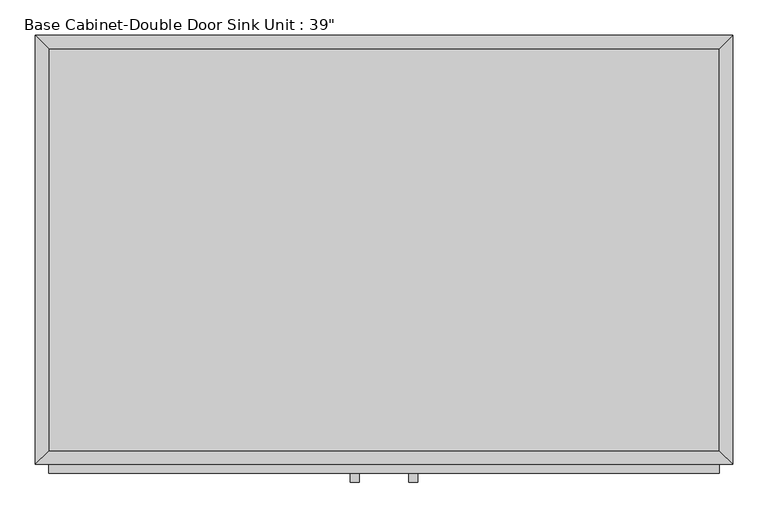
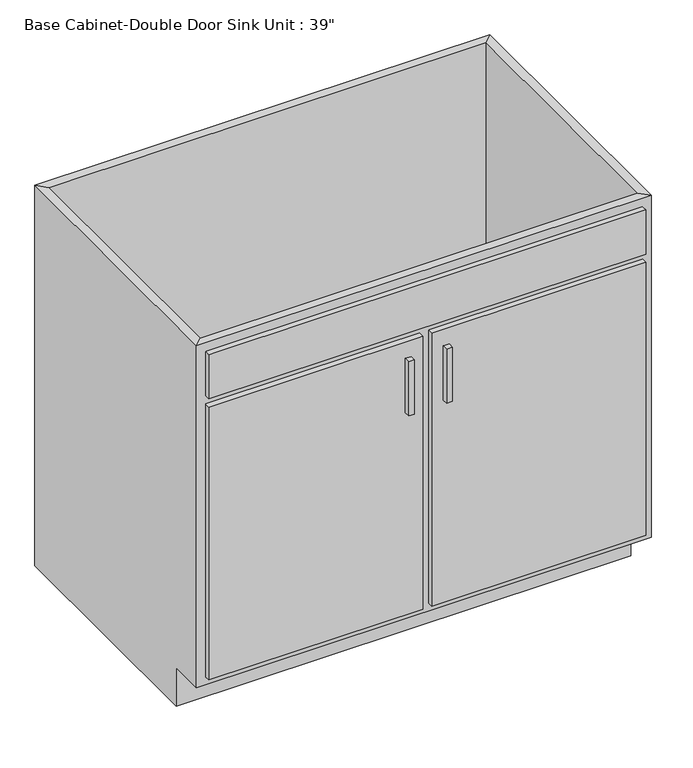
"""IFC4 building model written with IfcOpenShell, lengths in millimetres: furniture geometry."""

from ifc_helpers import new_model, si_unit, frame, origin, place, context, project, spatial, polyline, outline, extrude, faceted_brep, source, transform, mapped, element, save


def furniture_1afed948(model_context):
    return source(origin(), model_context, "Body", "SolidModel", [
        faceted_brep([(494.9877049, -590.55, 876.3), (494.9877049, -590.55, 88.9), (-457.5122951, -590.55, 88.9), (-457.5122951, -590.55, 876.3), (-476.5622951, -609.6, 876.3), (514.0377049, -609.6, 876.3), (-476.5622951, -609.6, 88.9), (514.0377049, -609.6, 88.9), (-457.5122951, -533.4, 88.9), (-457.5122951, -19.05, 88.9), (-457.5122951, -19.05, 876.3), (-476.5622951, 0.0, 876.3), (-476.5622951, 0.0, 0.0), (-476.5622951, -533.4, 0.0), (-476.5622951, -533.4, 88.9), (494.9877049, -19.05, 88.9), (494.9877049, -19.05, 876.3), (514.0377049, 0.0, 876.3), (514.0377049, 0.0, 0.0), (494.9877049, -533.4, 88.9), (514.0377049, -533.4, 88.9), (514.0377049, -533.4, 0.0)], [[[0, 1, 2, 3]], [[0, 3, 4, 5]], [[5, 4, 6, 7]], [[2, 1, 7, 6]], [[3, 2, 8, 9, 10]], [[4, 3, 10, 11]], [[6, 4, 11, 12, 13, 14]], [[2, 6, 14, 8]], [[10, 9, 15, 16]], [[11, 10, 16, 17]], [[12, 11, 17, 18]], [[1, 0, 16, 15, 19]], [[0, 5, 17, 16]], [[5, 7, 20, 21, 18, 17]], [[7, 1, 19, 20]], [[8, 19, 15, 9]], [[18, 21, 13, 12]], [[13, 21, 20, 19, 8, 14]]]),
        extrude(outline(polyline([(-16.1872951, -635.0), (-28.8872951, -635.0), (-28.8872951, -622.3), (-16.1872951, -622.3), (-16.1872951, -635.0)])), frame((0.0, 0.0, 573.769895), z_axis=(0.0, 0.0, 1.0), x_axis=(1.0, 0.0, 0.0)), (0.0, 0.0, 1.0), 124.730105),
        extrude(outline(polyline([(66.3627049, -635.0), (53.6627049, -635.0), (53.6627049, -622.3), (66.3627049, -622.3), (66.3627049, -635.0)])), frame((0.0, 0.0, 573.769895), z_axis=(0.0, 0.0, 1.0), x_axis=(1.0, 0.0, 0.0)), (0.0, 0.0, 1.0), 124.730105),
        extrude(outline(polyline([(494.9877049, -19.05), (494.9877049, -590.55), (-457.5122951, -590.55), (-457.5122951, -19.05), (494.9877049, -19.05)])), frame((0.0, 0.0, 88.9), z_axis=(0.0, 0.0, 1.0), x_axis=(1.0, 0.0, 0.0)), (0.0, 0.0, 1.0), 19.05),
        extrude(outline(polyline([(9.2127049, -622.3), (-457.5122951, -622.3), (-457.5122951, -609.6), (9.2127049, -609.6), (9.2127049, -622.3)])), frame((0.0, 0.0, 107.95), z_axis=(0.0, 0.0, 1.0), x_axis=(1.0, 0.0, 0.0)), (0.0, 0.0, 1.0), 628.65),
        extrude(outline(polyline([(494.9877049, -622.3), (28.2627049, -622.3), (28.2627049, -609.6), (494.9877049, -609.6), (494.9877049, -622.3)])), frame((0.0, 0.0, 107.95), z_axis=(0.0, 0.0, 1.0), x_axis=(1.0, 0.0, 0.0)), (0.0, 0.0, 1.0), 628.65),
        extrude(outline(polyline([(494.9877049, -622.3), (-457.5122951, -622.3), (-457.5122951, -609.6), (494.9877049, -609.6), (494.9877049, -622.3)])), frame((0.0, 0.0, 755.65), z_axis=(0.0, 0.0, 1.0), x_axis=(1.0, 0.0, 0.0)), (0.0, 0.0, 1.0), 101.6),
    ])


if __name__ == "__main__":
    model = new_model("IFC4")
    model_context = context("Model", 3, world=origin())
    ifc_project = project(units=[si_unit("LENGTHUNIT", "METRE", prefix="MILLI")], contexts=[model_context])
    site = spatial("IfcSite", under=ifc_project)
    building = spatial("IfcBuilding", under=site)
    placement = place(None, origin())
    furniture_shape = furniture_1afed948(model_context)
    element("IfcFurniture", 1, ObjectType="Base Cabinet-Double Door Sink Unit : 39\"", at=placement, inside=building, context=model_context, shape_type="MappedRepresentation", body=[
        mapped(furniture_shape, transform((0.0, 0.0, 0.0), x_axis=(1.0, 0.0, 0.0), y_axis=(0.0, 1.0, 0.0), z_axis=(0.0, 0.0, 1.0))),
    ])
    save(model, "model.ifc")
